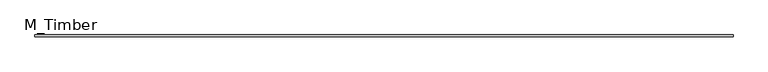
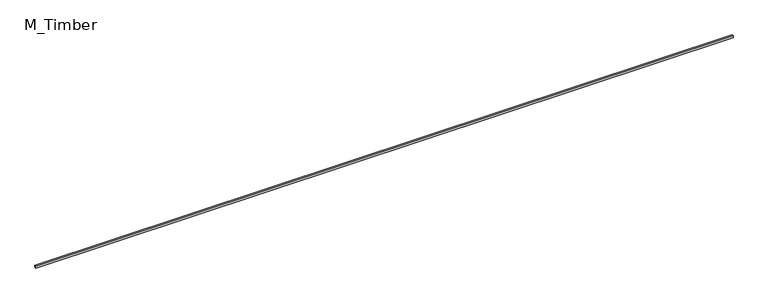
"""IFC4 building model written with IfcOpenShell, lengths in millimetres: beam geometry, M_Timber."""

from ifc_helpers import new_model, si_unit, frame, origin, place, context, project, spatial, polyline, outline, extrude, source, transform, mapped, element, save


def m_timber_527c4af9(model_context):
    return source(origin(), model_context, "Body", "SweptSolid", [
        extrude(outline(polyline([(7628.1141432, 20.0), (7628.1141432, -20.0), (-7628.1141432, -20.0), (-7628.1141432, 20.0), (7628.1141432, 20.0)])), frame((0.0, 0.0, -20.0), z_axis=(0.0, 0.0, 1.0), x_axis=(1.0, 0.0, 0.0)), (0.0, 0.0, 1.0), 40.0),
    ])


if __name__ == "__main__":
    model = new_model("IFC4")
    model_context = context("Model", 3, world=origin())
    ifc_project = project(units=[si_unit("LENGTHUNIT", "METRE", prefix="MILLI")], contexts=[model_context])
    site = spatial("IfcSite", under=ifc_project)
    building = spatial("IfcBuilding", under=site)
    placement = place(None, origin())
    m_timber_shape = m_timber_527c4af9(model_context)
    element("IfcBeam", 1, ObjectType="M_Timber", at=placement, inside=building, context=model_context, shape_type="MappedRepresentation", body=[
        mapped(m_timber_shape, transform((0.0, 0.0, 0.0), x_axis=(1.0, 0.0, 0.0), y_axis=(0.0, 1.0, 0.0), z_axis=(0.0, 0.0, 1.0))),
    ])
    save(model, "model.ifc")
